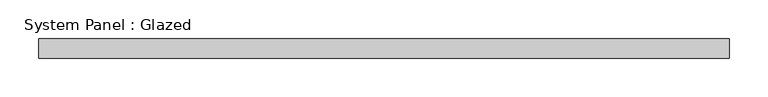
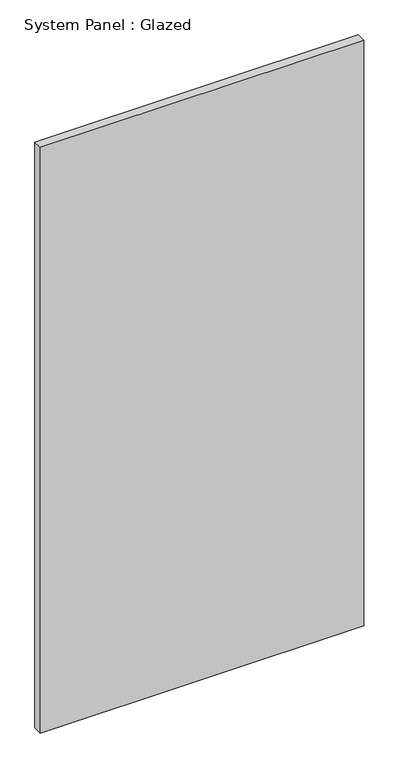
"""IFC4 building model written with IfcOpenShell, lengths in millimetres: plate geometry, System Panel : Glazed."""

from ifc_helpers import new_model, si_unit, origin, origin_with_axes, place, context, project, spatial, polyline, outline, extrude, source, transform, mapped, element, save


def system_panel_glazed_ece04007(model_context):
    return source(origin(), model_context, "Body", "SweptSolid", [
        extrude(outline(polyline([(447.675, -44.45), (-447.675, -44.45), (-447.675, -19.05), (447.675, -19.05), (447.675, -44.45)])), origin_with_axes(), (0.0, 0.0, 1.0), 1714.5),
    ])


if __name__ == "__main__":
    model = new_model("IFC4")
    model_context = context("Model", 3, world=origin())
    ifc_project = project(units=[si_unit("LENGTHUNIT", "METRE", prefix="MILLI")], contexts=[model_context])
    site = spatial("IfcSite", under=ifc_project)
    building = spatial("IfcBuilding", under=site)
    placement = place(None, origin())
    system_panel_glazed_shape = system_panel_glazed_ece04007(model_context)
    element("IfcPlate", 1, ObjectType="System Panel : Glazed", at=placement, inside=building, context=model_context, shape_type="MappedRepresentation", body=[
        mapped(system_panel_glazed_shape, transform((0.0, 0.0, 0.0), x_axis=(1.0, 0.0, 0.0), y_axis=(0.0, 1.0, 0.0), z_axis=(0.0, 0.0, 1.0))),
    ])
    save(model, "model.ifc")
